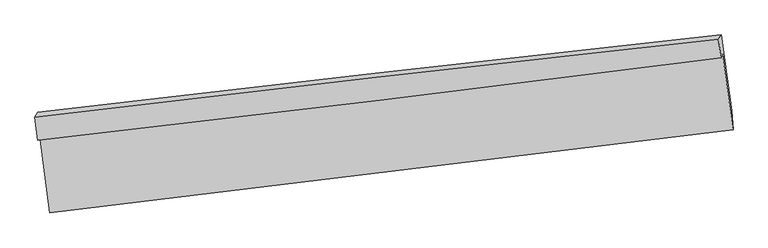
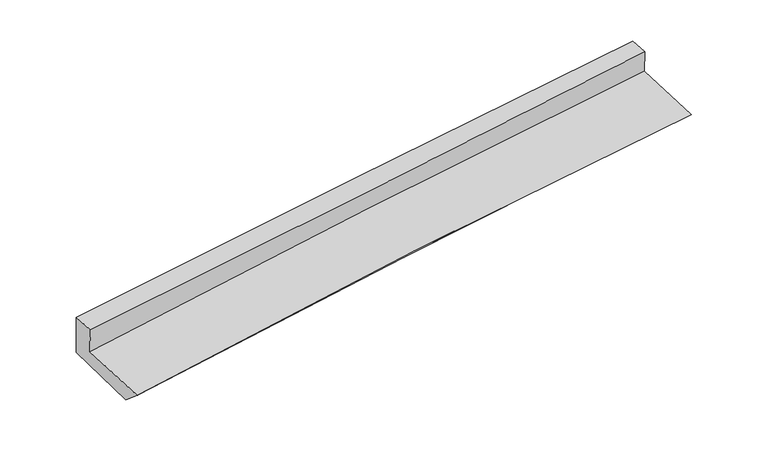
"""IFC4 building model written with IfcOpenShell, lengths in millimetres: proxy geometry."""

from ifc_helpers import new_model, si_unit, frame, origin, place, context, project, spatial, source, transform, mapped, element, save
from ifc_brep_helpers import plane_surface, spline_curve, spline_surface, advanced_brep


def generic_models_e5632d29(model_context):
    return source(origin(), model_context, "Body", "AdvancedBrep", [
        advanced_brep(
        [(-2937.3337248, -1861.1395601, 1729.4345216), (-2852.324114, -2516.2515333, 1642.5384895), (2978.2831376, -1809.774463, 2080.5720903), (2888.9257785, -1163.0729389, 2170.6691505), (-2952.0567463, -1896.0833668, 1978.4736009), (2875.6683009, -1194.5384051, 2394.9186377), (-2977.196675, -1702.3468218, 2004.1714017), (2853.7623944, -1035.3665856, 2415.9576978), (-2952.0445575, -1657.2201338, 1601.6967835), (2877.4975814, -999.0375957, 2047.5877586), (-2862.0299881, -2342.6835735, 1496.7267764), (2967.4213209, -1644.7249228, 1948.4566855)],
        [
            (0, 1),
            (1, 2, spline_curve(3, [(-2852.324114, -2516.2515333, 1642.5384895), (-1882.005011958, -2397.575084597, 1742.386935206), (-910.58603313, -2279.31870057, 1828.831776664), (1032.953104227, -2043.827637165, 1974.801701036), (2005.069875959, -1926.591664768, 2034.368059552), (2978.2831376, -1809.774463, 2080.5720903)], [4, 2, 4], [0.0, 9.665170443554237, 19.3154476331886])),
            (2, 3),
            (3, 0, spline_curve(3, [(2888.9257785, -1163.0729389, 2170.6691505), (1917.196717911, -1273.780159664, 2107.800893396), (946.184372868, -1387.258995796, 2039.629655471), (-995.904342417, -1619.939308098, 1892.567826912), (-1966.978498217, -1739.149345532, 1813.660854953), (-2937.3337248, -1861.1395601, 1729.4345216)], [4, 2, 4], [0.0, 9.650277189634364, 19.3154476331886])),
            (4, 0),
            (3, 5),
            (5, 4, spline_curve(3, [(2875.6683009, -1194.5384051, 2394.9186377), (1905.929967524, -1317.760950998, 2326.194374675), (935.791812989, -1437.791689567, 2257.155491283), (-1006.78196795, -1671.649869727, 2118.34145079), (-1979.218829064, -1785.467451654, 2048.565321971), (-2952.0567463, -1896.0833668, 1978.4736009)], [4, 2, 4], [0.0, 9.64567354984202, 19.30623324881562])),
            (6, 4),
            (5, 7),
            (7, 6, spline_curve(3, [(2853.7623944, -1035.3665856, 2415.9576978), (1881.942395814, -1141.367716412, 2349.526783153), (910.493519502, -1249.905154519, 2282.023088139), (-1033.1606499, -1472.224065175, 2144.764303321), (-2005.364796928, -1586.013372376, 2075.005899575), (-2977.196675, -1702.3468218, 2004.1714017)], [4, 2, 4], [0.0, 9.644719628618871, 19.304323934184566])),
            (8, 6),
            (7, 9),
            (9, 8, spline_curve(3, [(2877.4975814, -999.0375957, 2047.5877586), (1904.963732014, -1103.233394717, 1987.25812898), (933.275550986, -1210.135459631, 1919.969752868), (-1009.907774539, -1429.521279691, 1771.360923494), (-1981.400306248, -1542.013394074, 1690.01897429), (-2952.0445575, -1657.2201338, 1601.6967835)], [4, 2, 4], [0.0, 9.643969921493651, 19.302823362912584])),
            (10, 8),
            (9, 11),
            (11, 10, spline_curve(3, [(2967.4213209, -1644.7249228, 1948.4566855), (1996.148148257, -1765.444039296, 1885.926878947), (1025.098349171, -1883.923699374, 1817.051738543), (-918.052777296, -2116.583500906, 1666.494703046), (-1890.153414328, -2230.756724032, 1584.793206869), (-2862.0299881, -2342.6835735, 1496.7267764)], [4, 2, 4], [0.0, 9.64818519382045, 19.31126041298772])),
            (1, 10),
            (11, 2),
        ],
        [
            spline_surface(3, 3, [[(-2937.3337248, -1861.1395601, 1729.4345216), (-1966.978498177, -1739.149345639, 1813.660854806), (-995.904342287, -1619.939308091, 1892.567826779), (946.184372739, -1387.258995803, 2039.629655604), (1917.196717933, -1273.780159644, 2107.800893303), (2888.9257785, -1163.0729389, 2170.6691505)], [(-2908.997187869, -2079.510217845, 1700.469177569), (-1938.654002795, -1958.624591995, 1789.902881567), (-967.464905938, -1839.732438907, 1871.322476733), (975.107283267, -1606.115209651, 2018.020337385), (1946.487770635, -1491.383994692, 2083.323282102), (2918.711564853, -1378.640113624, 2140.636797099)], [(-2880.660650931, -2297.880875555, 1671.503833531), (-1910.329507404, -2178.099838316, 1766.144908321), (-939.025469582, -2059.525569649, 1850.077126742), (1004.030193802, -1824.971423424, 1996.411019223), (1975.778823379, -1708.987829665, 2058.845670904), (2948.497351247, -1594.207288276, 2110.604443701)], [(-2852.324114, -2516.2515333, 1642.5384895), (-1882.005012022, -2397.575084671, 1742.386935082), (-910.586033233, -2279.318700465, 1828.831776696), (1032.95310433, -2043.827637271, 1974.801701004), (2005.069876081, -1926.591664713, 2034.368059702), (2978.2831376, -1809.774463, 2080.5720903)]], [4, 4], [4, 2, 4], [0.0, 2.1872846016671192], [0.0, 9.665170443554237, 19.3154476331886]),
            spline_surface(3, 3, [[(-2952.0567463, -1896.0833668, 1978.4736009), (-1979.218828977, -1785.467451593, 2048.565321951), (-1006.781967828, -1671.649869647, 2118.341450836), (935.791812868, -1437.791689647, 2257.155491238), (1905.92996745, -1317.760951048, 2326.194374639), (2875.6683009, -1194.5384051, 2394.9186377)], [(-2947.149072458, -1884.435431236, 1895.460574481), (-1975.138718702, -1770.028082945, 1970.263832917), (-1003.156092643, -1654.413015782, 2043.083576154), (939.255999496, -1420.947458353, 2184.646879363), (1909.685550959, -1303.100687247, 2253.396547532), (2880.087460115, -1184.049916367, 2320.168808638)], [(-2942.241398642, -1872.787495664, 1812.447548019), (-1971.058608452, -1754.588714287, 1891.96234384), (-999.530217472, -1637.176161956, 1967.825701461), (942.72018611, -1404.103227097, 2112.138267478), (1913.441134423, -1288.440423445, 2180.598720411), (2884.506619285, -1173.561427633, 2245.418979562)], [(-2937.3337248, -1861.1395601, 1729.4345216), (-1966.978498177, -1739.149345639, 1813.660854806), (-995.904342287, -1619.939308091, 1892.567826779), (946.184372739, -1387.258995803, 2039.629655604), (1917.196717933, -1273.780159644, 2107.800893303), (2888.9257785, -1163.0729389, 2170.6691505)]], [4, 4], [4, 2, 4], [0.0, 0.7471247704242123], [0.0, 9.6605596989736, 19.30623324881562]),
            spline_surface(3, 3, [[(-2977.196675, -1702.3468218, 2004.1714017), (-2005.364796958, -1586.013372493, 2075.005899623), (-1033.160649954, -1472.224065256, 2144.764303291), (910.493519555, -1249.905154438, 2282.023088168), (1881.942395712, -1141.367716306, 2349.526783256), (2853.7623944, -1035.3665856, 2415.9576978)], [(-2968.816698776, -1766.925670114, 1995.605468081), (-1996.649474307, -1652.498065507, 2066.192373713), (-1024.36775591, -1538.699333405, 2135.956685795), (918.926283995, -1312.533999527, 2273.733889181), (1889.938252964, -1200.165461206, 2341.749313716), (2861.064363239, -1088.423858752, 2408.944677766)], [(-2960.436722524, -1831.504518486, 1987.039534519), (-1987.934151628, -1718.982758579, 2057.378847861), (-1015.574861872, -1605.174601498, 2127.149068332), (927.359048428, -1375.162844559, 2265.444690225), (1897.934110198, -1258.963206148, 2333.971844179), (2868.366332061, -1141.481131948, 2401.931657734)], [(-2952.0567463, -1896.0833668, 1978.4736009), (-1979.218828977, -1785.467451593, 2048.565321951), (-1006.781967828, -1671.649869647, 2118.341450836), (935.791812868, -1437.791689647, 2257.155491238), (1905.92996745, -1317.760951048, 2326.194374639), (2875.6683009, -1194.5384051, 2394.9186377)]], [4, 4], [4, 2, 4], [0.0, 0.6465133202921806], [0.0, 9.659604305565695, 19.304323934184566]),
            spline_surface(3, 3, [[(-2952.0445575, -1657.2201338, 1601.6967835), (-1981.400306205, -1542.013393993, 1690.01897422), (-1009.907774388, -1429.521279539, 1771.360923371), (933.275550836, -1210.135459783, 1919.969752991), (1904.963731973, -1103.233394839, 1987.258128874), (2877.4975814, -999.0375957, 2047.5877586)], [(-2960.428596665, -1672.262363157, 1735.854989584), (-1989.388469788, -1556.680053516, 1818.347949372), (-1017.658732902, -1443.755541426, 1895.828716702), (925.681540416, -1223.392024649, 2040.654198075), (1897.289953201, -1115.94483532, 2108.014346991), (2869.585852381, -1011.147258992, 2170.377738323)], [(-2968.812635835, -1687.304592443, 1870.013195616), (-1997.376633375, -1571.346712969, 1946.676924472), (-1025.409691439, -1457.989803369, 2020.296509959), (918.087529974, -1236.648589572, 2161.338643084), (1889.616174484, -1128.656275825, 2228.770565139), (2861.674123419, -1023.256922308, 2293.167718077)], [(-2977.196675, -1702.3468218, 2004.1714017), (-2005.364796958, -1586.013372493, 2075.005899623), (-1033.160649954, -1472.224065256, 2144.764303291), (910.493519555, -1249.905154438, 2282.023088168), (1881.942395712, -1141.367716306, 2349.526783256), (2853.7623944, -1035.3665856, 2415.9576978)]], [4, 4], [4, 2, 4], [0.0, 1.2163955516605367], [0.0, 9.658853441418932, 19.302823362912584]),
            spline_surface(3, 3, [[(-2862.0299881, -2342.6835735, 1496.7267764), (-1890.153414354, -2230.756724047, 1584.793206844), (-918.052777223, -2116.583500747, 1666.494702914), (1025.098349098, -1883.923699533, 1817.051738676), (1996.148148315, -1765.4440393, 1885.926878991), (2967.4213209, -1644.7249228, 1948.4566855)], [(-2892.034844571, -2114.195760256, 1531.716778747), (-1920.569044975, -2001.175614018, 1619.868462616), (-948.671109608, -1887.56276036, 1701.450109706), (994.49074968, -1659.327619632, 1851.357743421), (1965.753342877, -1544.707157834, 1919.703962274), (2937.446741076, -1429.495813788, 1981.500376522)], [(-2922.039701029, -1885.707947044, 1566.706781153), (-1950.984675584, -1771.594504022, 1654.943718448), (-979.289442003, -1658.542019926, 1736.405516579), (963.883150253, -1434.731539684, 1885.663748246), (1935.358537411, -1323.970276305, 1953.481045591), (2907.472161224, -1214.266704712, 2014.544067578)], [(-2952.0445575, -1657.2201338, 1601.6967835), (-1981.400306205, -1542.013393993, 1690.01897422), (-1009.907774388, -1429.521279539, 1771.360923371), (933.275550836, -1210.135459783, 1919.969752991), (1904.963731973, -1103.233394839, 1987.258128874), (2877.4975814, -999.0375957, 2047.5877586)]], [4, 4], [4, 2, 4], [0.0, 2.278284490959856], [0.0, 9.663075219167272, 19.31126041298772]),
            spline_surface(3, 3, [[(-2852.324114, -2516.2515333, 1642.5384895), (-1882.005012022, -2397.575084671, 1742.386935082), (-910.586033233, -2279.318700465, 1828.831776696), (1032.95310433, -2043.827637271, 1974.801701004), (2005.069876081, -1926.591664713, 2034.368059702), (2978.2831376, -1809.774463, 2080.5720903)], [(-2855.559405361, -2458.395546692, 1593.934585139), (-1884.721146127, -2341.968964456, 1689.855692342), (-913.074947911, -2225.073633864, 1774.719418797), (1030.334852571, -1990.526324664, 1922.218380256), (2002.095966827, -1872.875789551, 1984.887666151), (2974.662532035, -1754.757949576, 2036.533622053)], [(-2858.794696739, -2400.539560108, 1545.330680761), (-1887.437280249, -2286.362844263, 1637.324449584), (-915.563862545, -2170.828567347, 1720.607060813), (1027.716600857, -1937.22501214, 1869.635059424), (1999.122057569, -1819.159914461, 1935.407272542), (2971.041926465, -1699.741436224, 1992.495153747)], [(-2862.0299881, -2342.6835735, 1496.7267764), (-1890.153414354, -2230.756724047, 1584.793206844), (-918.052777223, -2116.583500747, 1666.494702914), (1025.098349098, -1883.923699533, 1817.051738676), (1996.148148315, -1765.4440393, 1885.926878991), (2967.4213209, -1644.7249228, 1948.4566855)]], [4, 4], [4, 2, 4], [0.0, 0.7459741664456048], [0.0, 9.668446489524325, 19.321994677004195]),
            plane_surface(frame((2906.926419, -1307.7524852, 2176.3603367), z_axis=(0.989095080213704, 0.12605650600851817, 0.07616219265469508), x_axis=(-0.06399052747263588, -0.09794366563140325, 0.9931325444050546))),
            plane_surface(frame((-2922.1643009, -1995.9541649, 1742.1735956), z_axis=(-0.9901040523392531, -0.11850951654898415, -0.07516288997048903), x_axis=(-0.12758551283074257, 0.9832158539286293, 0.13041672246730043))),
        ],
        [
            (0, [[1, 2, 3, 4]]),
            (1, [[5, -4, 6, 7]]),
            (2, [[8, -7, 9, 10]]),
            (3, [[11, -10, 12, 13]]),
            (4, [[14, -13, 15, 16]]),
            (5, [[17, -16, 18, -2]]),
            (6, [[-12, -9, -6, -3, -18, -15]]),
            (7, [[-1, -5, -8, -11, -14, -17]]),
        ],
    ),
    ])


if __name__ == "__main__":
    model = new_model("IFC4")
    model_context = context("Model", 3, world=origin())
    ifc_project = project(units=[si_unit("LENGTHUNIT", "METRE", prefix="MILLI")], contexts=[model_context])
    site = spatial("IfcSite", under=ifc_project)
    building = spatial("IfcBuilding", under=site)
    placement = place(None, origin())
    generic_models_shape = generic_models_e5632d29(model_context)
    element("IfcBuildingElementProxy", 1, Name="Generic Models", at=placement, inside=building, context=model_context, shape_type="MappedRepresentation", body=[
        mapped(generic_models_shape, transform((0.0, 0.0, 0.0), x_axis=(1.0, 0.0, 0.0), y_axis=(0.0, 1.0, 0.0), z_axis=(0.0, 0.0, 1.0))),
    ])
    save(model, "model.ifc")
